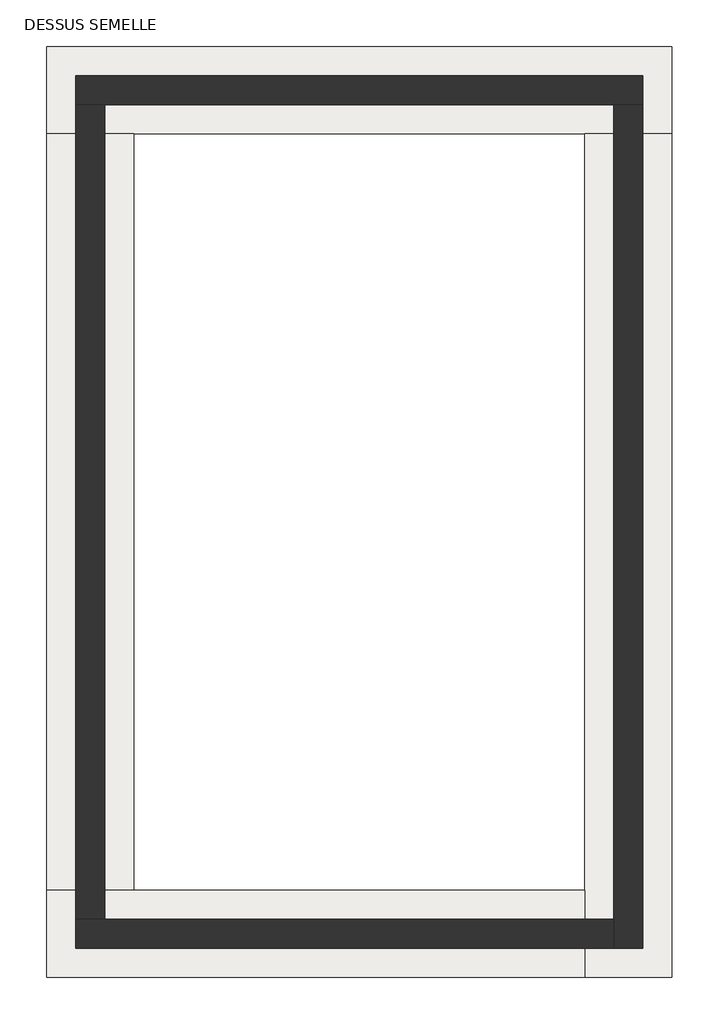
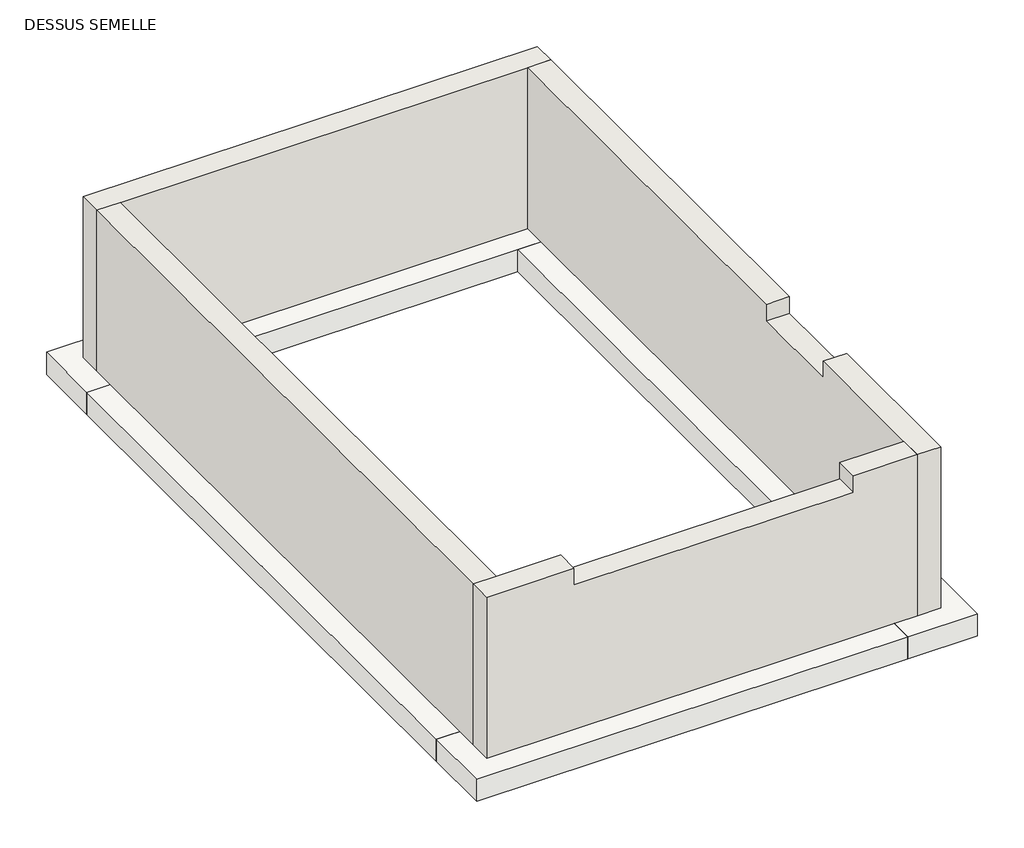
# One storey: 4 footings, 4 walls.
"""IFC4 building model written with IfcOpenShell, lengths in millimetres."""

from ifc_helpers import new_model, si_unit, frame, origin, place, context, project, spatial, polyline, outline, extrude, faceted_brep, element, save

model = new_model("IFC4")

# Units and contexts
model_context = context("Model", 3, world=origin())
ifc_project = project(units=[si_unit("LENGTHUNIT", "METRE", prefix="MILLI")], contexts=[model_context])

# Site, building, storey
site = spatial("IfcSite", under=ifc_project)
building = spatial("IfcBuilding", under=site)
storey = spatial("IfcBuildingStorey", under=building, Name="DESSUS SEMELLE", Elevation=-1371.6)

# Footings
placement = place(None, origin())
element("IfcFooting", 1, ObjectType="Bearing Footing - 24\" x 8", at=placement, inside=storey, context=model_context, shape_type="Brep", body=[
    faceted_brep([(-770.5212027, 3275.5072584, -1371.6), (-160.9212027, 3275.5072584, -1371.6), (2988.6787973, 3275.5072584, -1371.6), (3598.2787973, 3275.5072584, -1371.6), (3598.2787973, 3885.1072584, -1371.6), (-770.5212027, 3885.1072584, -1371.6), (-770.5212027, 3885.1072584, -1574.8), (3598.2787973, 3885.1072584, -1574.8), (-770.5212027, 3275.5072584, -1574.8), (3598.2787973, 3275.5072584, -1574.8), (2988.6787973, 3275.5072584, -1574.8), (-160.9212027, 3275.5072584, -1574.8)], [[[0, 1, 2, 3, 4, 5]], [[6, 5, 4, 7]], [[8, 6, 7, 9, 10, 11]], [[0, 8, 11, 10, 9, 3, 2, 1]], [[4, 3, 9, 7]], [[0, 5, 6, 8]]]),
])
element("IfcFooting", 2, ObjectType="Bearing Footing - 24\" x 8", at=placement, inside=storey, context=model_context, shape_type="Brep", body=[
    faceted_brep([(2988.6787973, -2617.2927416, -1371.6), (3598.2787973, -2617.2927416, -1371.6), (3598.2787973, 3275.5072584, -1371.6), (2988.6787973, 3275.5072584, -1371.6), (2988.6787973, -2007.6927416, -1371.6), (3598.2787973, -2617.2927416, -1574.8), (3598.2787973, 3275.5072584, -1574.8), (2988.6787973, -2617.2927416, -1574.8), (2988.6787973, -2007.6927416, -1574.8), (2988.6787973, 3275.5072584, -1574.8)], [[[0, 1, 2, 3, 4]], [[1, 5, 6, 2]], [[5, 7, 8, 9, 6]], [[7, 0, 4, 3, 9, 8]], [[3, 2, 6, 9]], [[1, 0, 7, 5]]]),
])
element("IfcFooting", 3, ObjectType="Bearing Footing - 24\" x 8", at=placement, inside=storey, context=model_context, shape_type="Brep", body=[
    faceted_brep([(-770.5212027, -2007.6927416, -1371.6), (-770.5212027, -2617.2927416, -1371.6), (2988.6787973, -2617.2927416, -1371.6), (2988.6787973, -2007.6927416, -1371.6), (-160.9212027, -2007.6927416, -1371.6), (-770.5212027, -2617.2927416, -1574.8), (2988.6787973, -2617.2927416, -1574.8), (-770.5212027, -2007.6927416, -1574.8), (-160.9212027, -2007.6927416, -1574.8), (2988.6787973, -2007.6927416, -1574.8)], [[[0, 1, 2, 3, 4]], [[1, 5, 6, 2]], [[5, 7, 8, 9, 6]], [[7, 0, 4, 3, 9, 8]], [[1, 0, 7, 5]], [[3, 2, 6, 9]]]),
])
element("IfcFooting", 4, ObjectType="Bearing Footing - 24\" x 8", at=placement, inside=storey, context=model_context, shape_type="SweptSolid", body=[
    extrude(outline(polyline([(-770.5212027, 3275.5072584), (-160.9212027, 3275.5072584), (-160.9212027, -2007.6927416), (-770.5212027, -2007.6927416), (-770.5212027, 3275.5072584)])), frame((0.0, 0.0, -1574.8), z_axis=(0.0, 0.0, 1.0), x_axis=(1.0, 0.0, 0.0)), (0.0, 0.0, 1.0), 203.2),
])

# Walls
element("IfcWall", 5, ObjectType="Foundation - 8\" Concrete 2", at=placement, inside=storey, context=model_context, shape_type="Brep", body=[
    faceted_brep([(-567.3212027, 3478.7072584, -1371.6), (-364.1212027, 3478.7072584, -1371.6), (3191.8787973, 3478.7072584, -1371.6), (3395.0787973, 3478.7072584, -1371.6), (3395.0787973, 3478.7072584, 115.6083875), (3191.8787973, 3478.7072584, 115.6083875), (-364.1212027, 3478.7072584, 115.6083875), (-567.3212027, 3478.7072584, 115.6083875), (-567.3212027, 3681.9072584, -1371.6), (-567.3212027, 3681.9072584, 115.6083875), (3395.0787973, 3681.9072584, 115.6083875), (3395.0787973, 3681.9072584, -1371.6)], [[[0, 1, 2, 3, 4, 5, 6, 7]], [[8, 9, 10, 11]], [[3, 2, 1, 0, 8, 11]], [[7, 6, 5, 4, 10, 9]], [[4, 3, 11, 10]], [[0, 7, 9, 8]]]),
])
element("IfcWall", 6, ObjectType="Foundation - 8\" Concrete 2", at=placement, inside=storey, context=model_context, shape_type="Brep", body=[
    faceted_brep([(3191.8787973, 3478.7072584, -1371.6), (3191.8787973, -2210.8927416, -1371.6), (3191.8787973, -2414.0927416, -1371.6), (3191.8787973, -2414.0927416, 115.6083875), (3191.8787973, -2210.8927416, 115.6083875), (3191.8787973, -991.6927416, 115.6083875), (3191.8787973, -991.6927416, -36.7916125), (3191.8787973, -128.0927416, -36.7916125), (3191.8787973, -128.0927416, 115.6083875), (3191.8787973, 3478.7072584, 115.6083875), (3395.0787973, -2414.0927416, -1371.6), (3395.0787973, 3478.7072584, -1371.6), (3395.0787973, 3478.7072584, 115.6083875), (3395.0787973, -128.0927416, 115.6083875), (3395.0787973, -128.0927416, -36.7916125), (3395.0787973, -991.6927416, -36.7916125), (3395.0787973, -991.6927416, 115.6083875), (3395.0787973, -2414.0927416, 115.6083875)], [[[0, 1, 2, 3, 4, 5, 6, 7, 8, 9]], [[10, 11, 12, 13, 14, 15, 16, 17]], [[2, 1, 0, 11, 10]], [[12, 9, 8, 13]], [[3, 17, 16, 5, 4]], [[0, 9, 12, 11]], [[3, 2, 10, 17]], [[6, 15, 14, 7]], [[7, 14, 13, 8]], [[15, 6, 5, 16]]]),
])
element("IfcWall", 7, ObjectType="Foundation - 8\" Concrete 2", at=placement, inside=storey, context=model_context, shape_type="Brep", body=[
    faceted_brep([(3191.8787973, -2210.8927416, -1371.6), (-364.1212027, -2210.8927416, -1371.6), (-567.3212027, -2210.8927416, -1371.6), (-567.3212027, -2210.8927416, 115.6083875), (-364.1212027, -2210.8927416, 115.6083875), (194.6787973, -2210.8927416, 115.6083875), (194.6787973, -2210.8927416, -36.7916125), (2633.0787973, -2210.8927416, -36.7916125), (2633.0787973, -2210.8927416, 115.6083875), (3191.8787973, -2210.8927416, 115.6083875), (-567.3212027, -2414.0927416, -1371.6), (3191.8787973, -2414.0927416, -1371.6), (3191.8787973, -2414.0927416, 115.6083875), (2633.0787973, -2414.0927416, 115.6083875), (2633.0787973, -2414.0927416, -36.7916125), (194.6787973, -2414.0927416, -36.7916125), (194.6787973, -2414.0927416, 115.6083875), (-567.3212027, -2414.0927416, 115.6083875)], [[[0, 1, 2, 3, 4, 5, 6, 7, 8, 9]], [[10, 11, 12, 13, 14, 15, 16, 17]], [[2, 1, 0, 11, 10]], [[12, 9, 8, 13]], [[3, 17, 16, 5, 4]], [[0, 9, 12, 11]], [[3, 2, 10, 17]], [[15, 6, 5, 16]], [[7, 14, 13, 8]], [[6, 15, 14, 7]]]),
])
element("IfcWall", 8, ObjectType="Foundation - 8\" Concrete 2", at=placement, inside=storey, context=model_context, shape_type="SweptSolid", body=[
    extrude(outline(polyline([(-364.1212027, 3478.7072584), (-364.1212027, -2210.8927416), (-567.3212027, -2210.8927416), (-567.3212027, 3478.7072584), (-364.1212027, 3478.7072584)])), frame((0.0, 0.0, -1371.6), z_axis=(0.0, 0.0, 1.0), x_axis=(1.0, 0.0, 0.0)), (0.0, 0.0, 1.0), 1487.2083875),
])

save(model, "model.ifc")
